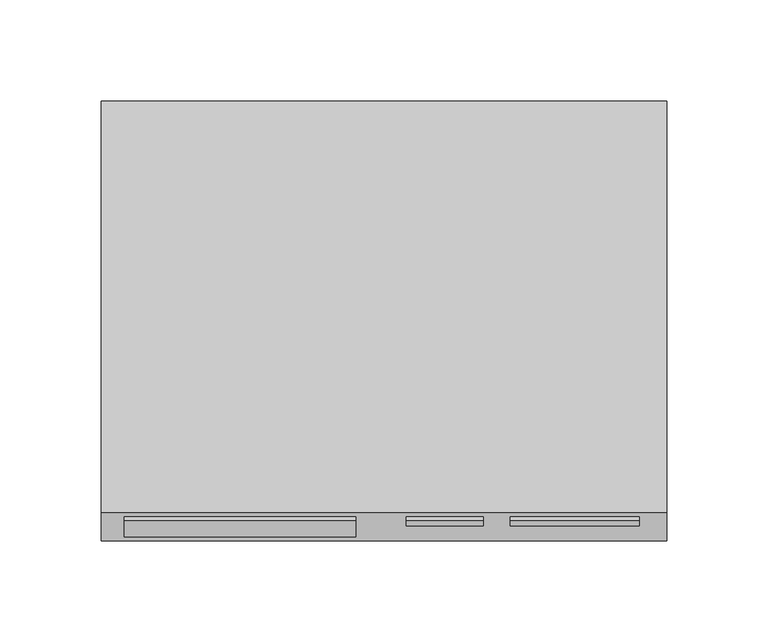
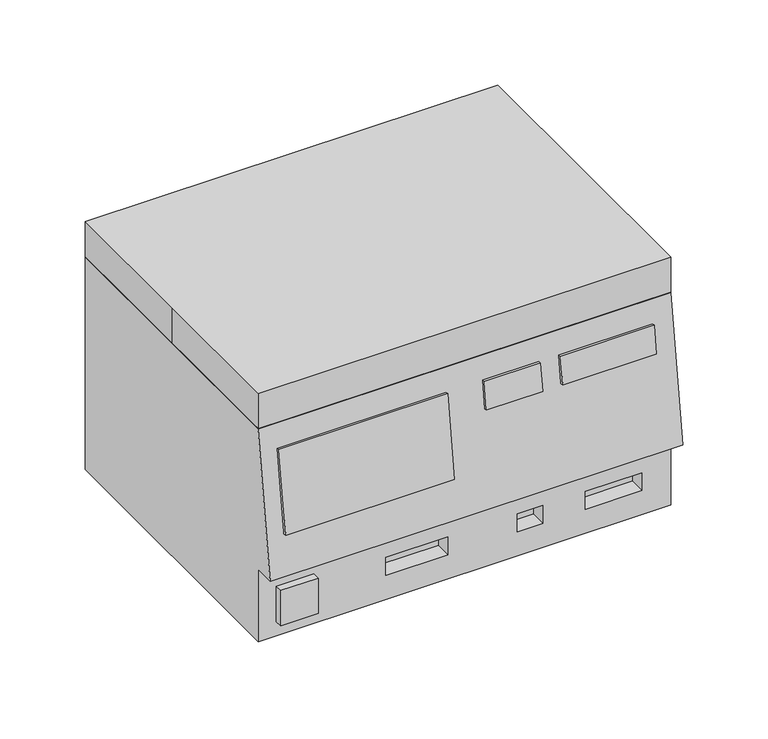
"""IFC4 building model written with IfcOpenShell, lengths in millimetres: proxy geometry."""

from ifc_helpers import new_model, si_unit, frame, origin, place, context, project, spatial, polyline, outline, extrude, faceted_brep, source, transform, mapped, element, save


def specialty_equipment_256a31df(model_context):
    return source(origin(), model_context, "Body", "SolidModel", [
        extrude(outline(polyline([(0.0, -114.3), (0.0, 0.0), (1.9458774, 0.0), (1.9458774, -114.3), (0.0, -114.3)])), frame((-128.2825666, -113.7856473, 79.6763208), z_axis=(0.0, 0.139173100960068, 0.99026806874157), x_axis=(0.0, 0.99026806874157, -0.139173100960068)), (0.0, 0.0, 1.0), 57.15),
        extrude(outline(polyline([(0.0, -38.1), (0.0, 0.0), (1.9458774, 0.0), (1.9458774, -38.1), (0.0, -38.1)])), frame((10.8865762, -108.4831521, 117.4055342), z_axis=(0.0, 0.139173100960068, 0.99026806874157), x_axis=(0.0, 0.99026806874157, -0.139173100960068)), (0.0, 0.0, 1.0), 19.05),
        extrude(outline(polyline([(0.0, -63.5710899), (0.0, 0.0), (1.9458774, 0.0), (1.9458774, -63.5710899), (0.0, -63.5710899)])), frame((62.4307031, -108.4831521, 117.4055342), z_axis=(0.0, 0.139173100960068, 0.99026806874157), x_axis=(0.0, 0.99026806874157, -0.139173100960068)), (0.0, 0.0, 1.0), 19.05),
        extrude(outline(polyline([(-102.0234978, -106.3985855), (-127.4234978, -106.3985855), (-127.4234978, -101.6), (-102.0234978, -101.6), (-102.0234978, -106.3985855)])), frame((0.0, 0.0, 9.7853906), z_axis=(0.0, 0.0, 1.0), x_axis=(1.0, 0.0, 0.0)), (0.0, 0.0, 1.0), 25.4),
        faceted_brep([(139.7, 101.6, 152.4), (-139.7, 101.6, 152.4), (-139.7, -101.6, 152.4), (139.7, -101.6, 152.4), (139.7, 101.6, 0.0), (139.7, -101.6, 0.0), (-139.7, -101.6, 0.0), (-139.7, 101.6, 0.0), (-139.7, -101.6, 51.7887642), (-139.7, -115.7399871, 51.7887642), (139.7, -101.6, 51.7887642), (81.8883115, -101.6, 17.3309779), (81.8883115, -101.6, 30.0309779), (119.9883115, -101.6, 30.0309779), (119.9883115, -101.6, 17.3309779), (35.7995709, -101.6, 17.3309779), (35.7995709, -101.6, 30.0309779), (52.9809465, -101.6, 30.0309779), (52.9809465, -101.6, 17.3309779), (-53.5435825, -101.6, 17.3309779), (-53.5435825, -101.6, 30.0309779), (-11.4492122, -101.6, 30.0309779), (-11.4492122, -101.6, 17.3309779), (139.7, -115.7399871, 51.7887642), (81.8883115, -90.3742453, 30.0309779), (81.8883115, -90.3742453, 17.3309779), (119.9883115, -90.3742453, 17.3309779), (119.9883115, -90.3742453, 30.0309779), (35.7995709, -90.3742453, 30.0309779), (35.7995709, -90.3742453, 17.3309779), (52.9809465, -90.3742453, 17.3309779), (52.9809465, -90.3742453, 30.0309779), (-53.5435825, -90.3742453, 30.0309779), (-53.5435825, -90.3742453, 17.3309779), (-11.4492122, -90.3742453, 17.3309779), (-11.4492122, -90.3742453, 30.0309779)], [[[0, 1, 2, 3]], [[4, 5, 6, 7]], [[1, 0, 4, 7]], [[2, 1, 7, 6, 8, 9]], [[6, 5, 10, 8], [11, 12, 13, 14], [15, 16, 17, 18], [19, 20, 21, 22]], [[0, 3, 23, 10, 5, 4]], [[24, 25, 26, 27]], [[28, 29, 30, 31]], [[32, 33, 34, 35]], [[25, 24, 12, 11]], [[26, 25, 11, 14]], [[27, 26, 14, 13]], [[24, 27, 13, 12]], [[29, 28, 16, 15]], [[30, 29, 15, 18]], [[31, 30, 18, 17]], [[28, 31, 17, 16]], [[33, 32, 20, 19]], [[34, 33, 19, 22]], [[35, 34, 22, 21]], [[32, 35, 21, 20]], [[10, 23, 9, 8]], [[23, 3, 2, 9]]]),
        faceted_brep([(-139.7, 101.6, 177.8), (-139.7, 0.0, 177.8), (-139.7, -101.6, 177.8), (139.7, -101.6, 177.8), (139.7, 101.6, 177.8), (-139.7, 101.6, 0.0), (139.7, 101.6, 0.0), (139.7, -101.6, 0.0), (-139.7, -101.6, 0.0), (-139.7, 0.0, 0.0), (81.8883115, -101.6, 17.3309779), (81.8883115, -101.6, 30.0309779), (119.9883115, -101.6, 30.0309779), (119.9883115, -101.6, 17.3309779), (35.7995709, -101.6, 17.3309779), (35.7995709, -101.6, 30.0309779), (52.9809465, -101.6, 30.0309779), (52.9809465, -101.6, 17.3309779), (-53.5435825, -101.6, 17.3309779), (-53.5435825, -101.6, 30.0309779), (-11.4492122, -101.6, 30.0309779), (-11.4492122, -101.6, 17.3309779), (81.8883115, -90.3742453, 30.0309779), (81.8883115, -90.3742453, 17.3309779), (119.9883115, -90.3742453, 17.3309779), (119.9883115, -90.3742453, 30.0309779), (35.7995709, -90.3742453, 30.0309779), (35.7995709, -90.3742453, 17.3309779), (52.9809465, -90.3742453, 17.3309779), (52.9809465, -90.3742453, 30.0309779), (-53.5435825, -90.3742453, 30.0309779), (-53.5435825, -90.3742453, 17.3309779), (-11.4492122, -90.3742453, 17.3309779), (-11.4492122, -90.3742453, 30.0309779)], [[[0, 1, 2, 3, 4]], [[5, 6, 7, 8, 9]], [[1, 0, 5, 9]], [[2, 1, 9, 8]], [[3, 2, 8, 7], [10, 11, 12, 13], [14, 15, 16, 17], [18, 19, 20, 21]], [[4, 3, 7, 6]], [[0, 4, 6, 5]], [[22, 23, 24, 25]], [[26, 27, 28, 29]], [[30, 31, 32, 33]], [[23, 22, 11, 10]], [[24, 23, 10, 13]], [[25, 24, 13, 12]], [[22, 25, 12, 11]], [[27, 26, 15, 14]], [[28, 27, 14, 17]], [[29, 28, 17, 16]], [[26, 29, 16, 15]], [[31, 30, 19, 18]], [[32, 31, 18, 21]], [[33, 32, 21, 20]], [[30, 33, 20, 19]]]),
    ])


if __name__ == "__main__":
    model = new_model("IFC4")
    model_context = context("Model", 3, world=origin())
    ifc_project = project(units=[si_unit("LENGTHUNIT", "METRE", prefix="MILLI")], contexts=[model_context])
    site = spatial("IfcSite", under=ifc_project)
    building = spatial("IfcBuilding", under=site)
    placement = place(None, origin())
    specialty_equipment_shape = specialty_equipment_256a31df(model_context)
    element("IfcBuildingElementProxy", 1, Name="Specialty Equipment", at=placement, inside=building, context=model_context, shape_type="MappedRepresentation", body=[
        mapped(specialty_equipment_shape, transform((0.0, 0.0, 0.0), x_axis=(1.0, 0.0, 0.0), y_axis=(0.0, 1.0, 0.0), z_axis=(0.0, 0.0, 1.0))),
    ])
    save(model, "model.ifc")
